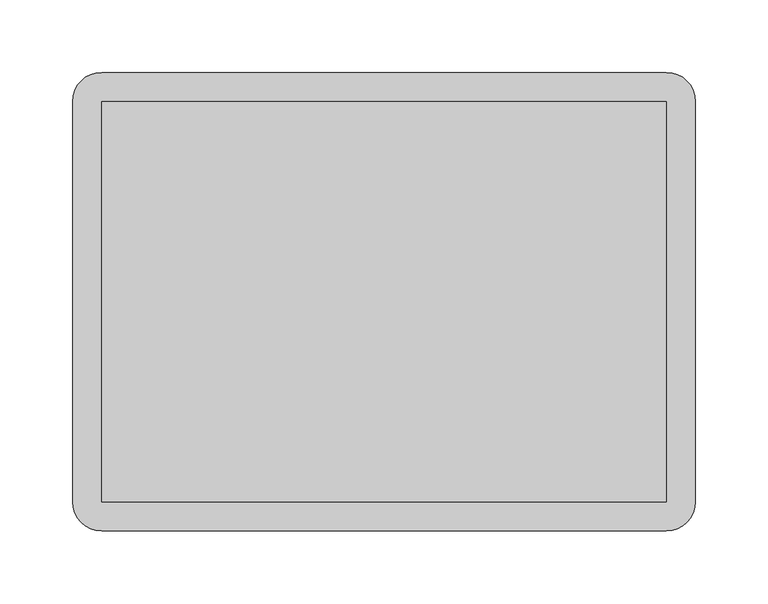
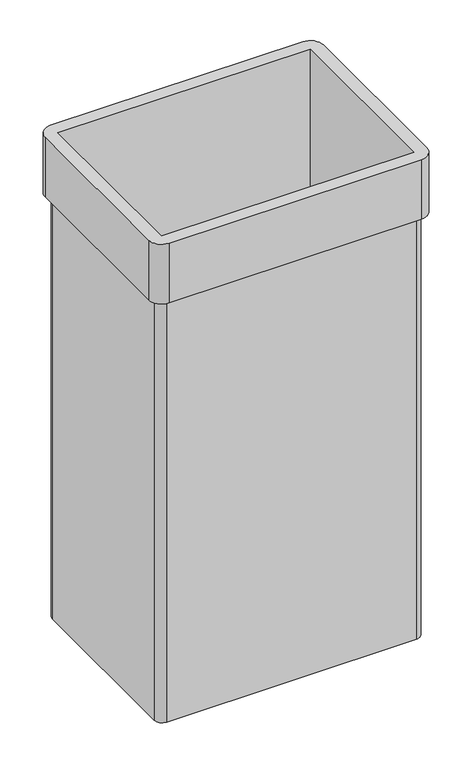
"""IFC4 building model written with IfcOpenShell, lengths in millimetres: furniture geometry."""

from ifc_helpers import new_model, si_unit, frame, origin, place, context, project, spatial, circle_curve, source, transform, mapped, element, save
from ifc_brep_helpers import plane_surface, cylinder_surface, advanced_brep


def furniture_d4371efe(model_context):
    return source(origin(), model_context, "Body", "AdvancedBrep", [
        advanced_brep(
        [(192.5, 148.0, 0.0), (204.5, 136.0, 0.0), (204.5, -136.0, 0.0), (192.5, -148.0, 0.0), (-192.5, -148.0, 0.0), (-204.5, -136.0, 0.0), (-204.5, 136.0, 0.0), (-192.5, 148.0, 0.0), (194.5, 138.0, 8.0), (194.5, -138.0, 8.0), (194.5, -138.0, 786.0), (194.5, 138.0, 786.0), (-194.5, -138.0, 8.0), (-194.5, -138.0, 786.0), (-194.5, 138.0, 8.0), (-194.5, 138.0, 786.0), (-192.5, 148.0, 689.0), (192.5, 148.0, 689.0), (-204.5, 136.0, 689.0), (-204.5, -136.0, 689.0), (-192.5, -148.0, 689.0), (192.5, -148.0, 689.0), (204.5, -136.0, 689.0), (204.5, 136.0, 689.0), (194.5, 158.0, 786.0), (-194.5, 158.0, 786.0), (-214.5, 138.0, 786.0), (-214.5, -138.0, 786.0), (-194.5, -158.0, 786.0), (194.5, -158.0, 786.0), (214.5, -138.0, 786.0), (214.5, 138.0, 786.0), (194.5, 158.0, 689.0), (214.5, 138.0, 689.0), (214.5, -138.0, 689.0), (194.5, -158.0, 689.0), (-194.5, -158.0, 689.0), (-214.5, -138.0, 689.0), (-214.5, 138.0, 689.0), (-194.5, 158.0, 689.0)],
        [
            (0, 1, circle_curve(frame((192.5, 136.0, 0.0), z_axis=(0.0, 0.0, -1.0), x_axis=(1.0, 0.0, 0.0)), 12.0)),
            (1, 2),
            (2, 3, circle_curve(frame((192.5, -136.0, 0.0), z_axis=(0.0, 0.0, -1.0), x_axis=(1.0, 0.0, 0.0)), 12.0)),
            (3, 4),
            (4, 5, circle_curve(frame((-192.5, -136.0, 0.0), z_axis=(0.0, 0.0, -1.0), x_axis=(1.0, 0.0, 0.0)), 12.0)),
            (5, 6),
            (6, 7, circle_curve(frame((-192.5, 136.0, 0.0), z_axis=(0.0, 0.0, -1.0), x_axis=(1.0, 0.0, 0.0)), 12.0)),
            (7, 0),
            (8, 9),
            (9, 10),
            (10, 11),
            (11, 8),
            (9, 12),
            (12, 13),
            (13, 10),
            (12, 14),
            (14, 15),
            (15, 13),
            (11, 15),
            (14, 8),
            (7, 16),
            (16, 17),
            (17, 0),
            (6, 18),
            (18, 16, circle_curve(frame((-192.5, 136.0, 689.0), z_axis=(0.0, 0.0, -1.0), x_axis=(1.0, 0.0, 0.0)), 12.0)),
            (5, 19),
            (19, 18),
            (4, 20),
            (20, 19, circle_curve(frame((-192.5, -136.0, 689.0), z_axis=(0.0, 0.0, -1.0), x_axis=(1.0, 0.0, 0.0)), 12.0)),
            (3, 21),
            (21, 20),
            (2, 22),
            (22, 21, circle_curve(frame((192.5, -136.0, 689.0), z_axis=(0.0, 0.0, -1.0), x_axis=(1.0, 0.0, 0.0)), 12.0)),
            (1, 23),
            (23, 22),
            (17, 23, circle_curve(frame((192.5, 136.0, 689.0), z_axis=(0.0, 0.0, -1.0), x_axis=(1.0, 0.0, 0.0)), 12.0)),
            (24, 25),
            (25, 26, circle_curve(frame((-194.5, 138.0, 786.0), z_axis=(0.0, 0.0, 1.0), x_axis=(1.0, 0.0, 0.0)), 20.0)),
            (26, 27),
            (27, 28, circle_curve(frame((-194.5, -138.0, 786.0), z_axis=(0.0, 0.0, 1.0), x_axis=(1.0, 0.0, 0.0)), 20.0)),
            (28, 29),
            (29, 30, circle_curve(frame((194.5, -138.0, 786.0), z_axis=(0.0, 0.0, 1.0), x_axis=(1.0, 0.0, 0.0)), 20.0)),
            (30, 31),
            (31, 24, circle_curve(frame((194.5, 138.0, 786.0), z_axis=(0.0, 0.0, 1.0), x_axis=(1.0, 0.0, 0.0)), 20.0)),
            (32, 33, circle_curve(frame((194.5, 138.0, 689.0), z_axis=(0.0, 0.0, -1.0), x_axis=(1.0, 0.0, 0.0)), 20.0)),
            (33, 34),
            (34, 35, circle_curve(frame((194.5, -138.0, 689.0), z_axis=(0.0, 0.0, -1.0), x_axis=(1.0, 0.0, 0.0)), 20.0)),
            (35, 36),
            (36, 37, circle_curve(frame((-194.5, -138.0, 689.0), z_axis=(0.0, 0.0, -1.0), x_axis=(1.0, 0.0, 0.0)), 20.0)),
            (37, 38),
            (38, 39, circle_curve(frame((-194.5, 138.0, 689.0), z_axis=(0.0, 0.0, -1.0), x_axis=(1.0, 0.0, 0.0)), 20.0)),
            (39, 32),
            (24, 32),
            (39, 25),
            (38, 26),
            (37, 27),
            (36, 28),
            (35, 29),
            (34, 30),
            (33, 31),
        ],
        [
            plane_surface(frame((194.5, 138.0, 0.0), z_axis=(0.0, 0.0, -1.0), x_axis=(0.0, 1.0, 0.0))),
            plane_surface(frame((194.5, 138.0, 689.0), z_axis=(-1.0, 0.0, 0.0), x_axis=(0.0, 0.0, -1.0))),
            plane_surface(frame((194.5, -138.0, 689.0), z_axis=(0.0, 1.0, 0.0), x_axis=(0.0, 0.0, -1.0))),
            plane_surface(frame((-194.5, -138.0, 689.0), z_axis=(1.0, 0.0, 0.0), x_axis=(0.0, 0.0, -1.0))),
            plane_surface(frame((-194.5, 138.0, 689.0), z_axis=(0.0, -1.0, 0.0), x_axis=(0.0, 0.0, -1.0))),
            plane_surface(frame((192.5, 148.0, 689.0), z_axis=(0.0, 1.0, 0.0), x_axis=(0.0, 0.0, -1.0))),
            cylinder_surface(frame((-192.5, 136.0, 0.0), z_axis=(0.0, 0.0, 1.0), x_axis=(1.0, 0.0, 0.0)), 12.0),
            plane_surface(frame((-204.5, 136.0, 689.0), z_axis=(-1.0, 0.0, 0.0), x_axis=(0.0, 0.0, -1.0))),
            cylinder_surface(frame((-192.5, -136.0, 0.0), z_axis=(0.0, 0.0, 1.0), x_axis=(1.0, 0.0, 0.0)), 12.0),
            plane_surface(frame((-192.5, -148.0, 689.0), z_axis=(0.0, -1.0, 0.0), x_axis=(0.0, 0.0, -1.0))),
            cylinder_surface(frame((192.5, -136.0, 0.0), z_axis=(0.0, 0.0, 1.0), x_axis=(1.0, 0.0, 0.0)), 12.0),
            plane_surface(frame((204.5, -136.0, 689.0), z_axis=(1.0, 0.0, 0.0), x_axis=(0.0, 0.0, -1.0))),
            cylinder_surface(frame((192.5, 136.0, 0.0), z_axis=(0.0, 0.0, 1.0), x_axis=(1.0, 0.0, 0.0)), 12.0),
            plane_surface(frame((-194.5, 138.0, 8.0), z_axis=(0.0, 0.0, 1.0), x_axis=(-1.0, 0.0, 0.0))),
            plane_surface(frame((-194.5, 158.0, 786.0), z_axis=(0.0, 0.0, 1.0), x_axis=(-1.0, 0.0, 0.0))),
            plane_surface(frame((-194.5, 158.0, 689.0), z_axis=(0.0, 0.0, -1.0), x_axis=(1.0, 0.0, 0.0))),
            plane_surface(frame((194.5, 158.0, 786.0), z_axis=(0.0, 1.0, 0.0), x_axis=(0.0, 0.0, -1.0))),
            cylinder_surface(frame((-194.5, 138.0, 689.0), z_axis=(0.0, 0.0, 1.0), x_axis=(1.0, 0.0, 0.0)), 20.0),
            plane_surface(frame((-214.5, 138.0, 786.0), z_axis=(-1.0, 0.0, 0.0), x_axis=(0.0, 0.0, -1.0))),
            cylinder_surface(frame((-194.5, -138.0, 689.0), z_axis=(0.0, 0.0, 1.0), x_axis=(1.0, 0.0, 0.0)), 20.0),
            plane_surface(frame((-194.5, -158.0, 786.0), z_axis=(0.0, -1.0, 0.0), x_axis=(0.0, 0.0, -1.0))),
            cylinder_surface(frame((194.5, -138.0, 689.0), z_axis=(0.0, 0.0, 1.0), x_axis=(1.0, 0.0, 0.0)), 20.0),
            plane_surface(frame((214.5, -138.0, 786.0), z_axis=(1.0, 0.0, 0.0), x_axis=(0.0, 0.0, -1.0))),
            cylinder_surface(frame((194.5, 138.0, 689.0), z_axis=(0.0, 0.0, 1.0), x_axis=(1.0, 0.0, 0.0)), 20.0),
        ],
        [
            (0, [[1, 2, 3, 4, 5, 6, 7, 8]]),
            (1, [[9, 10, 11, 12]]),
            (2, [[-10, 13, 14, 15]]),
            (3, [[-14, 16, 17, 18]]),
            (4, [[-12, 19, -17, 20]]),
            (5, [[-8, 21, 22, 23]]),
            (6, [[-7, 24, 25, -21]]),
            (7, [[-6, 26, 27, -24]]),
            (8, [[-5, 28, 29, -26]]),
            (9, [[-4, 30, 31, -28]]),
            (10, [[-3, 32, 33, -30]]),
            (11, [[-2, 34, 35, -32]]),
            (12, [[-1, -23, 36, -34]]),
            (13, [[-9, -20, -16, -13]]),
            (14, [[37, 38, 39, 40, 41, 42, 43, 44], [-11, -15, -18, -19]]),
            (15, [[45, 46, 47, 48, 49, 50, 51, 52], [-22, -25, -27, -29, -31, -33, -35, -36]]),
            (16, [[-37, 53, -52, 54]]),
            (17, [[-38, -54, -51, 55]]),
            (18, [[-39, -55, -50, 56]]),
            (19, [[-40, -56, -49, 57]]),
            (20, [[-41, -57, -48, 58]]),
            (21, [[-42, -58, -47, 59]]),
            (22, [[-43, -59, -46, 60]]),
            (23, [[-44, -60, -45, -53]]),
        ],
    ),
    ])


if __name__ == "__main__":
    model = new_model("IFC4")
    model_context = context("Model", 3, world=origin())
    ifc_project = project(units=[si_unit("LENGTHUNIT", "METRE", prefix="MILLI")], contexts=[model_context])
    site = spatial("IfcSite", under=ifc_project)
    building = spatial("IfcBuilding", under=site)
    placement = place(None, origin())
    furniture_shape = furniture_d4371efe(model_context)
    element("IfcFurniture", 1, at=placement, inside=building, context=model_context, shape_type="MappedRepresentation", body=[
        mapped(furniture_shape, transform((0.0, 0.0, 0.0), x_axis=(1.0, 0.0, 0.0), y_axis=(0.0, 1.0, 0.0), z_axis=(0.0, 0.0, 1.0))),
    ])
    save(model, "model.ifc")
